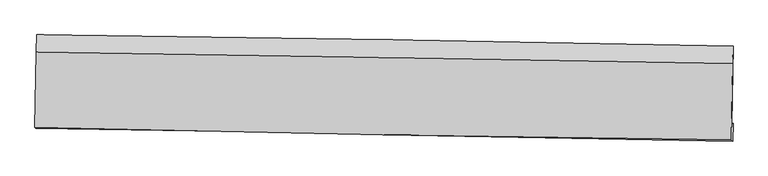
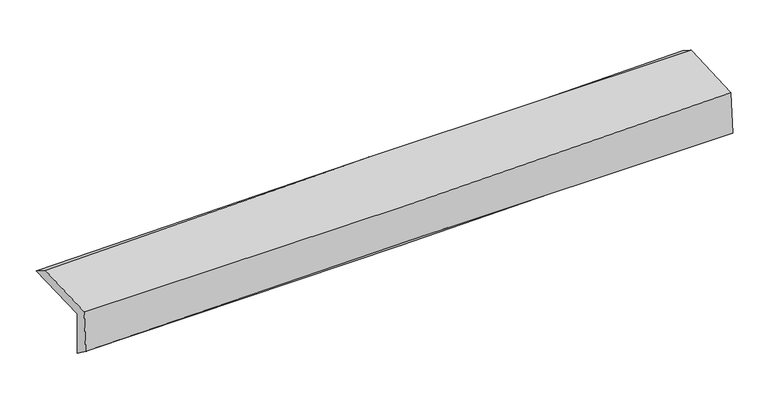
"""IFC4 building model written with IfcOpenShell, lengths in millimetres: proxy geometry."""

import ifcopenshell
import ifcopenshell.guid

model = None  # the IFC model being written
_history = None  # IfcOwnerHistory: only IFC2X3 demands one
_inside = {}  # id of a spatial element -> (the spatial element, [elements in it])
_under = {}  # id of a project, library or spatial element -> (it, [spatial elements below it])
_declared = {}  # id of a project -> (the project, [libraries it declares])
_typed = {}  # id of a type object -> (the type object, [elements of that type])
_made_of = {}  # id of a material, layer set ... -> (it, [elements and type objects made of it])


def new_model(schema):
    """Start an empty IFC model of exactly this schema.

    Asked for "IFC4X3", IfcOpenShell would pick the latest addendum, in which some entities
    have other attributes; the version numbers below select the first issue.
    IFC2X3 requires an IfcOwnerHistory on every rooted entity: one is made here for all.
    """
    global model, _history
    if schema == "IFC4X3":
        model = ifcopenshell.file(schema_version=(4, 3, 0, 0))
    else:
        model = ifcopenshell.file(schema=schema)
    _inside.clear()
    _under.clear()
    _declared.clear()
    _typed.clear()
    _made_of.clear()
    _history = None
    if model.schema == "IFC2X3":
        org = make("IfcOrganization", Name="unknown")
        user = make(
            "IfcPersonAndOrganization",
            ThePerson=make("IfcPerson", FamilyName="unknown"),
            TheOrganization=org,
        )
        app = make(
            "IfcApplication",
            ApplicationDeveloper=org,
            Version="unknown",
            ApplicationFullName="unknown",
            ApplicationIdentifier="unknown",
        )
        _history = make(
            "IfcOwnerHistory",
            OwningUser=user,
            OwningApplication=app,
            ChangeAction="ADDED",
            CreationDate=0,
        )
    return model


def make(cls, **values):
    """One entity of the class cls with the attributes given. An attribute that is None is left unset."""
    return model.create_entity(
        cls, **{name: value for name, value in values.items() if value is not None}
    )


def rooted(cls, **values):
    """An entity with a GlobalId (a new one), such as an element, a storey or a relation."""
    return make(cls, GlobalId=ifcopenshell.guid.new(), OwnerHistory=_history, **values)


def si_unit(unit_type, name, prefix=None):
    """IfcSIUnit, for example si_unit("LENGTHUNIT", "METRE", prefix="MILLI")."""
    return make("IfcSIUnit", UnitType=unit_type, Prefix=prefix, Name=name)


def assignment(units):
    """IfcUnitAssignment: the units of a project."""
    return None if units is None else make("IfcUnitAssignment", Units=units)


def point(xyz):
    """IfcCartesianPoint."""
    return None if xyz is None else make("IfcCartesianPoint", Coordinates=xyz)


def direction(xyz):
    """IfcDirection."""
    return None if xyz is None else make("IfcDirection", DirectionRatios=xyz)


def frame(location, z_axis=None, x_axis=None):
    """IfcAxis2Placement3D, a coordinate frame: its origin and axes. An axis left out is left unset."""
    return make(
        "IfcAxis2Placement3D",
        Location=point(location),
        Axis=direction(z_axis),
        RefDirection=direction(x_axis),
    )


def origin():
    """The frame at (0, 0, 0) with its axes left unset."""
    return frame((0.0, 0.0, 0.0))


def place(relative_to, where):
    """IfcLocalPlacement: puts the frame where relative to a parent placement (None: the world)."""
    return make(
        "IfcLocalPlacement", PlacementRelTo=relative_to, RelativePlacement=where
    )


def context(
    kind, dimensions, precision=None, world=None, true_north=None, identifier=None
):
    """IfcGeometricRepresentationContext, for example the 3D "Model" context."""
    return make(
        "IfcGeometricRepresentationContext",
        ContextIdentifier=identifier,
        ContextType=kind,
        CoordinateSpaceDimension=dimensions,
        Precision=precision,
        WorldCoordinateSystem=world,
        TrueNorth=true_north,
    )


def project(units=None, contexts=None):
    """IfcProject with its units and contexts."""
    return rooted(
        "IfcProject",
        Name="project",
        RepresentationContexts=contexts,
        UnitsInContext=assignment(units),
    )


def spatial(cls, under=None, at=None, **own):
    """A site, building, storey or space (cls), placed at a placement, below another one or the project."""
    s = rooted(cls, ObjectPlacement=at, **own)
    if under is not None:
        _under.setdefault(under.id(), (under, []))[1].append(s)
    return s


def shape(context_of_items, identifier, shape_type, items):
    """IfcShapeRepresentation: the items that make up one representation, for example the "Body"."""
    return make(
        "IfcShapeRepresentation",
        ContextOfItems=context_of_items,
        RepresentationIdentifier=identifier,
        RepresentationType=shape_type,
        Items=items,
    )


def source(mapping_origin, context_of_items, identifier, shape_type, items):
    """IfcRepresentationMap: a shape defined once, which mapped items show again and again."""
    return make(
        "IfcRepresentationMap",
        MappingOrigin=mapping_origin,
        MappedRepresentation=shape(context_of_items, identifier, shape_type, items),
    )


def transform(
    local_origin,
    x_axis=None,
    y_axis=None,
    z_axis=None,
    scale=None,
    scale2=None,
    scale3=None,
    uniform=True,
):
    """IfcCartesianTransformationOperator3D, or its non-uniform kind. x_axis, y_axis, z_axis: its Axis1, 2, 3."""
    if uniform:
        return make(
            "IfcCartesianTransformationOperator3D",
            Axis1=direction(x_axis),
            Axis2=direction(y_axis),
            LocalOrigin=point(local_origin),
            Scale=scale,
            Axis3=direction(z_axis),
        )
    return make(
        "IfcCartesianTransformationOperator3DnonUniform",
        Axis1=direction(x_axis),
        Axis2=direction(y_axis),
        LocalOrigin=point(local_origin),
        Scale=scale,
        Axis3=direction(z_axis),
        Scale2=scale2,
        Scale3=scale3,
    )


def mapped(mapping_source, mapping_target):
    """IfcMappedItem: shows the shape of a source again, moved by a transform."""
    return make(
        "IfcMappedItem", MappingSource=mapping_source, MappingTarget=mapping_target
    )


def made_of(thing, what):
    """Note that an element or type object is made of a material, layer set ...; save() writes the relation."""
    if what is not None:
        _made_of.setdefault(what.id(), (what, []))[1].append(thing)
    return thing


def element(
    cls,
    number,
    at=None,
    inside=None,
    cuts=None,
    type_object=None,
    material=None,
    context=None,
    identifier="Body",
    shape_type=None,
    held_by="IfcProductDefinitionShape",
    body=None,
    shapes=None,
    **own,
):
    """One element of the class cls, such as IfcWall. Its Tag is "e" and its number.

    at: its placement. inside: the storey or other place that contains it. cuts: it is an
    opening in that element (IfcRelVoidsElement). A single representation is given by context,
    identifier, shape_type and body (its items); several are given by shapes. held_by: the class
    of the entity that holds the representations. save() writes the other relations.
    """
    e = rooted(cls, Tag="e%d" % number, ObjectPlacement=at, **own)
    if body is not None:
        shapes = [shape(context, identifier, shape_type, body)]
    if shapes is not None:
        e.Representation = make(held_by, Representations=shapes)
    if inside is not None:
        _inside.setdefault(inside.id(), (inside, []))[1].append(e)
    if cuts is not None:
        rooted(
            "IfcRelVoidsElement", RelatingBuildingElement=cuts, RelatedOpeningElement=e
        )
    if type_object is not None:
        _typed.setdefault(type_object.id(), (type_object, []))[1].append(e)
    return made_of(e, material)


def aggregate(whole, parts):
    """IfcRelAggregates: a whole, such as a stair, and the parts it consists of."""
    return rooted("IfcRelAggregates", RelatingObject=whole, RelatedObjects=parts)


def save(model, path):
    """Write the relations noted so far, then the file.

    IfcRelAggregates (storeys below a building ...), IfcRelContainedInSpatialStructure (elements
    in a storey), IfcRelDefinesByType, IfcRelAssociatesMaterial and IfcRelDeclares: one each for
    every whole, place, type object, material and project.
    """
    for whole, parts in _under.values():
        aggregate(whole, parts)
    for where, things in _inside.values():
        rooted(
            "IfcRelContainedInSpatialStructure",
            RelatedElements=things,
            RelatingStructure=where,
        )
    for kind, things in _typed.values():
        rooted("IfcRelDefinesByType", RelatedObjects=things, RelatingType=kind)
    for what, things in _made_of.values():
        rooted("IfcRelAssociatesMaterial", RelatedObjects=things, RelatingMaterial=what)
    for by, libraries in _declared.values():
        rooted("IfcRelDeclares", RelatingContext=by, RelatedDefinitions=libraries)
    model.write(path)


def plane_surface(at):
    """IfcPlane: the flat surface through the origin of the frame at, square to its z axis."""
    return make("IfcPlane", Position=at)


def spline_curve(degree, points, multiplicities, knots, weights=None):
    """IfcBSplineCurveWithKnots; with weights, IfcRationalBSplineCurveWithKnots."""
    own = dict(
        Degree=degree,
        ControlPointsList=[point(p) for p in points],
        CurveForm="UNSPECIFIED",
        ClosedCurve=False,
        SelfIntersect=False,
        KnotMultiplicities=multiplicities,
        Knots=knots,
        KnotSpec="UNSPECIFIED",
    )
    if weights is None:
        return make("IfcBSplineCurveWithKnots", **own)
    return make("IfcRationalBSplineCurveWithKnots", WeightsData=weights, **own)


def spline_surface(u_degree, v_degree, points, u_multiplicities, v_multiplicities, u_knots, v_knots, weights=None):
    """IfcBSplineSurfaceWithKnots; with weights, IfcRationalBSplineSurfaceWithKnots. points: one row for each step in u."""
    own = dict(
        UDegree=u_degree,
        VDegree=v_degree,
        ControlPointsList=[[point(p) for p in row] for row in points],
        SurfaceForm="UNSPECIFIED",
        UClosed=False,
        VClosed=False,
        SelfIntersect=False,
        UMultiplicities=u_multiplicities,
        VMultiplicities=v_multiplicities,
        UKnots=u_knots,
        VKnots=v_knots,
        KnotSpec="UNSPECIFIED",
    )
    if weights is None:
        return make("IfcBSplineSurfaceWithKnots", **own)
    return make("IfcRationalBSplineSurfaceWithKnots", WeightsData=weights, **own)


def advanced_brep(points, edges, surfaces, faces):
    """IfcAdvancedBrep: a solid bounded by faces that lie on surfaces and meet in shared edges.

    An edge is (start, end): straight between two places in points (the first is 0);
    or (start, end, curve); or (start, end, curve, False) where it runs against its curve.
    A face is (place in surfaces, loops), or (place, loops, False) where it looks against
    its surface's normal. A loop lists edges by number (the first is 1), with a minus sign
    where the edge is run from its end to its start. The first loop is the outer one.
    """
    corners = [point(p) for p in points]
    vertices = [make("IfcVertexPoint", VertexGeometry=c) for c in corners]
    made = []
    for start, end, *more in edges:
        made.append(
            make(
                "IfcEdgeCurve",
                EdgeStart=vertices[start],
                EdgeEnd=vertices[end],
                EdgeGeometry=more[0] if more else make("IfcPolyline", Points=[corners[start], corners[end]]),
                SameSense=more[1] if len(more) > 1 else True,
            )
        )
    hull = []
    for where, loops, *sense in faces:
        bounds = []
        for j, loop in enumerate(loops):
            ring = [make("IfcOrientedEdge", EdgeElement=made[abs(k) - 1], Orientation=k > 0) for k in loop]
            bounds.append(
                make(
                    "IfcFaceOuterBound" if j == 0 else "IfcFaceBound",
                    Bound=make("IfcEdgeLoop", EdgeList=ring),
                    Orientation=True,
                )
            )
        hull.append(make("IfcAdvancedFace", Bounds=bounds, FaceSurface=surfaces[where], SameSense=sense[0] if sense else True))
    return make("IfcAdvancedBrep", Outer=make("IfcClosedShell", CfsFaces=hull))


def generic_models_9acd4ccf(model_context):
    return source(origin(), model_context, "Body", "AdvancedBrep", [
        advanced_brep(
        [(-3021.5878437, -1762.7552507, 1977.0141934), (-3011.4289227, -1084.5360282, 1989.8752628), (3000.538432, -1183.326871, 2136.7012981), (2990.4680309, -1862.0389021, 2123.8331732), (-3012.0038616, -1750.7895225, 1578.5024273), (3000.2917886, -1849.7733893, 1715.3374149), (-3016.7403731, -1894.5690019, 1685.2831841), (2995.533773, -2004.5016403, 1816.7813797), (-3025.7937497, -1884.5761838, 2075.6600758), (2986.2455152, -1994.252635, 2217.1646616), (-3016.1629956, -1235.8612547, 2091.6174909), (2995.946459, -1334.5299116, 2233.3906181)],
        [
            (0, 1),
            (1, 2, spline_curve(3, [(-3011.4289227, -1084.5360282, 1989.8752628), (-2004.884929197, -1096.812191499, 1993.981437076), (-998.760243612, -1111.221234206, 2008.35328811), (1005.22270356, -1144.182904226, 2057.446377455), (2003.087136405, -1162.704142531, 2092.016538622), (3000.538432, -1183.326871, 2136.7012981)], [4, 2, 4], [0.0, 9.903951369601467, 19.734755426468872])),
            (2, 3),
            (3, 0, spline_curve(3, [(2990.4680309, -1862.0389021, 2123.8331732), (1992.907740853, -1834.25328988, 2072.743338813), (994.981287, -1812.096571509, 2034.959353647), (-1009.03186882, -1778.917944166, 1985.820949357), (-2015.12403952, -1767.980112268, 1974.665274574), (-3021.5878437, -1762.7552507, 1977.0141934)], [4, 2, 4], [0.0, 9.830804056867406, 19.734755426468872])),
            (4, 0),
            (3, 5),
            (5, 4, spline_curve(3, [(3000.2917886, -1849.7733893, 1715.3374149), (2002.623933719, -1822.123691835, 1668.773495754), (1004.623664735, -1800.059979547, 1634.08669921), (-999.469920468, -1766.981921491, 1588.29763259), (-2005.56820105, -1756.051011314, 1577.372766881), (-3012.0038616, -1750.7895225, 1578.5024273)], [4, 2, 4], [0.0, 9.831096057270821, 19.7353415999408])),
            (6, 4),
            (5, 7),
            (7, 6, spline_curve(3, [(2995.533773, -2004.5016403, 1816.7813797), (1997.010074836, -1981.457201114, 1799.855569697), (998.582076749, -1960.799006408, 1780.484196642), (-1005.510734815, -1924.119151288, 1736.687993351), (-2011.174118507, -1908.133133134, 1712.226634476), (-3016.7403731, -1894.5690019, 1685.2831841)], [4, 2, 4], [0.0, 9.830263338844027, 19.733669967142827])),
            (8, 6),
            (7, 9),
            (9, 8, spline_curve(3, [(2986.2455152, -1994.252635, 2217.1646616), (1987.992155021, -1983.902773932, 2180.534268914), (989.719255288, -1969.636585746, 2150.446391195), (-1014.293541176, -1933.1362654, 2103.18047262), (-2020.033729838, -1910.843636596, 2086.100155234), (-3025.7937497, -1884.5761838, 2075.6600758)], [4, 2, 4], [0.0, 9.830100407225306, 19.733342891592535])),
            (10, 8),
            (9, 11),
            (11, 10, spline_curve(3, [(2995.946459, -1334.5299116, 2233.3906181), (1997.527621785, -1314.801570707, 2225.65025636), (999.165871378, -1296.739290367, 2210.038722019), (-1004.871466429, -1263.824852733, 2162.898581595), (-2010.546200486, -1248.997580727, 2131.252407066), (-3016.1629956, -1235.8612547, 2091.6174909)], [4, 2, 4], [0.0, 9.82998111679208, 19.73310342313087])),
            (1, 10),
            (11, 2),
        ],
        [
            spline_surface(3, 3, [[(-3021.5878437, -1762.7552507, 1977.0141934), (-2015.124039599, -1767.98011241, 1974.665274566), (-1009.031868715, -1778.917944318, 1985.820949405), (994.981286896, -1812.096571358, 2034.9593536), (1992.907740892, -1834.253289948, 2072.743338738), (2990.4680309, -1862.0389021, 2123.8331732)], [(-3018.201536714, -1536.682176542, 1981.301216523), (-2011.711002804, -1544.257472167, 1981.103995427), (-1005.607993701, -1556.35237427, 1993.331728922), (998.395092494, -1589.458682315, 2042.45502825), (1996.300872728, -1610.403574198, 2079.167738689), (2993.824831257, -1635.801558408, 2128.122548192)], [(-3014.815229686, -1310.609102358, 1985.588239677), (-2008.297965967, -1320.534831897, 1987.54271632), (-1002.184118722, -1333.786804237, 2000.842508468), (1001.808898057, -1366.820793286, 2049.950702929), (1999.694004593, -1386.553858423, 2085.592138565), (2997.181631643, -1409.564214692, 2132.411923108)], [(-3011.4289227, -1084.5360282, 1989.8752628), (-2004.884929172, -1096.812191654, 1993.981437181), (-998.760243707, -1111.22123419, 2008.353287985), (1005.222703655, -1144.182904243, 2057.44637758), (2003.087136429, -1162.704142673, 2092.016538516), (3000.538432, -1183.326871, 2136.7012981)]], [4, 4], [4, 2, 4], [0.0, 2.192462291131935], [0.0, 9.903951369601467, 19.734755426468872]),
            spline_surface(3, 3, [[(-3012.0038616, -1750.7895225, 1578.5024273), (-2005.568201191, -1756.051011446, 1577.372766782), (-999.469920321, -1766.981921546, 1588.297632649), (1004.623664588, -1800.059979491, 1634.086699151), (2002.623933811, -1822.123691675, 1668.773495775), (3000.2917886, -1849.7733893, 1715.3374149)], [(-3015.198522295, -1754.778098551, 1711.339682684), (-2008.753480655, -1760.027378418, 1709.803602727), (-1002.657236454, -1770.960595801, 1720.805404883), (1001.409538689, -1804.072176778, 1767.710917282), (1999.38520285, -1826.166891077, 1803.430110071), (2997.017202712, -1853.861893544, 1851.502667641)], [(-3018.393183005, -1758.766674649, 1844.176938016), (-2011.938760135, -1764.003745437, 1842.23443862), (-1005.844552582, -1774.939270063, 1853.313177172), (998.195412795, -1808.084374072, 1901.335135469), (1996.146471854, -1830.210090546, 1938.086724442), (2993.742616788, -1857.950397856, 1987.667920459)], [(-3021.5878437, -1762.7552507, 1977.0141934), (-2015.124039599, -1767.98011241, 1974.665274566), (-1009.031868715, -1778.917944318, 1985.820949405), (994.981286896, -1812.096571358, 2034.9593536), (1992.907740892, -1834.253289948, 2072.743338738), (2990.4680309, -1862.0389021, 2123.8331732)]], [4, 4], [4, 2, 4], [0.0, 1.3106330243930295], [0.0, 9.904245542669978, 19.7353415999408]),
            spline_surface(3, 3, [[(-3016.7403731, -1894.5690019, 1685.2831841), (-2011.174118562, -1908.133133147, 1712.226634373), (-1005.510734774, -1924.119151234, 1736.687993276), (998.582076708, -1960.799006462, 1780.484196715), (1997.01007492, -1981.457201124, 1799.855569694), (2995.533773, -2004.5016403, 1816.7813797)], [(-3015.161535911, -1846.642508799, 1649.689598494), (-2009.305479416, -1857.439092612, 1667.27534517), (-1003.497129959, -1871.740074697, 1687.224539746), (1000.595939332, -1907.219330831, 1731.685030873), (1998.881361209, -1928.346031306, 1756.161545076), (2997.119778192, -1952.925556632, 1782.966724789)], [(-3013.582698789, -1798.716015601, 1614.096012906), (-2007.436840337, -1806.74505198, 1622.324055985), (-1001.483525136, -1819.360998083, 1637.761086179), (1002.609801964, -1853.639655123, 1682.885864994), (2000.752647522, -1875.234861493, 1712.467520392), (2998.705783408, -1901.349472968, 1749.152069811)], [(-3012.0038616, -1750.7895225, 1578.5024273), (-2005.568201191, -1756.051011446, 1577.372766782), (-999.469920321, -1766.981921546, 1588.297632649), (1004.623664588, -1800.059979491, 1634.086699151), (2002.623933811, -1822.123691675, 1668.773495775), (3000.2917886, -1849.7733893, 1715.3374149)]], [4, 4], [4, 2, 4], [0.0, 0.7114243255585532], [0.0, 9.9034066282988, 19.733669967142827]),
            spline_surface(3, 3, [[(-3025.7937497, -1884.5761838, 2075.6600758), (-2020.03372978, -1910.843636567, 2086.100155365), (-1014.293541172, -1933.136265366, 2103.180472777), (989.719255284, -1969.636585779, 2150.446391039), (1987.992154959, -1983.902774045, 2180.53426889), (2986.2455152, -1994.252635, 2217.1646616)], [(-3022.775957508, -1887.907123142, 1945.534445231), (-2017.080526049, -1909.940135402, 1961.475648365), (-1011.365939037, -1930.130560637, 1981.016312945), (992.673529094, -1966.690725988, 2027.1256596), (1990.99812828, -1983.087583071, 2053.641369146), (2989.341601134, -1997.6689701, 2083.703567622)], [(-3019.758165292, -1891.238062558, 1815.408814669), (-2014.127322293, -1909.036634311, 1836.851141373), (-1008.438336909, -1927.124855963, 1858.852153108), (995.627802898, -1963.744866253, 1903.804928155), (1994.004101599, -1982.272392098, 1926.748469437), (2992.437687066, -2001.0853052, 1950.242473678)], [(-3016.7403731, -1894.5690019, 1685.2831841), (-2011.174118562, -1908.133133147, 1712.226634373), (-1005.510734774, -1924.119151234, 1736.687993276), (998.582076708, -1960.799006462, 1780.484196715), (1997.01007492, -1981.457201124, 1799.855569694), (2995.533773, -2004.5016403, 1816.7813797)]], [4, 4], [4, 2, 4], [0.0, 1.2087556222224982], [0.0, 9.90324248436723, 19.733342891592535]),
            spline_surface(3, 3, [[(-3016.1629956, -1235.8612547, 2091.6174909), (-2010.546200517, -1248.997580811, 2131.252406931), (-1004.871466289, -1263.824852752, 2162.898581591), (999.165871239, -1296.739290348, 2210.038722024), (1997.527621912, -1314.801570709, 2225.650256421), (2995.946459, -1334.5299116, 2233.3906181)], [(-3019.373246976, -1452.099564422, 2086.298352539), (-2013.708710281, -1469.612932752, 2116.201656415), (-1008.012157917, -1486.928656967, 2142.992545332), (996.016999254, -1521.038388835, 2190.174611708), (1994.349132942, -1537.835305179, 2210.611593913), (2992.712811082, -1554.437486091, 2227.981965936)], [(-3022.583498324, -1668.337874078, 2080.979214161), (-2016.871220016, -1690.228284626, 2101.150905881), (-1011.152849544, -1710.032461151, 2123.086509035), (992.868127269, -1745.337487293, 2170.310501354), (1991.170643928, -1760.869039576, 2195.572931397), (2989.479163118, -1774.345060509, 2222.573313764)], [(-3025.7937497, -1884.5761838, 2075.6600758), (-2020.03372978, -1910.843636567, 2086.100155365), (-1014.293541172, -1933.136265366, 2103.180472777), (989.719255284, -1969.636585779, 2150.446391039), (1987.992154959, -1983.902774045, 2180.53426889), (2986.2455152, -1994.252635, 2217.1646616)]], [4, 4], [4, 2, 4], [0.0, 2.2106401422913566], [0.0, 9.90312230633879, 19.73310342313087]),
            spline_surface(3, 3, [[(-3011.4289227, -1084.5360282, 1989.8752628), (-2004.884929172, -1096.812191654, 1993.981437181), (-998.760243707, -1111.22123419, 2008.353287985), (1005.222703655, -1144.182904243, 2057.44637758), (2003.087136429, -1162.704142673, 2092.016538516), (3000.538432, -1183.326871, 2136.7012981)], [(-3013.006946996, -1134.977770343, 2023.789338829), (-2006.772019616, -1147.540654683, 2039.738427093), (-1000.797317911, -1162.089107034, 2059.868385854), (1003.203759506, -1195.035032935, 2108.310492395), (2001.233964914, -1213.403285343, 2136.561111138), (2999.007774324, -1233.727884525, 2168.93107142)], [(-3014.584971304, -1185.419512557, 2057.703414871), (-2008.659110073, -1198.269117783, 2085.495417019), (-1002.834392085, -1212.956979908, 2111.383483721), (1001.184815388, -1245.887161656, 2159.174607208), (1999.380793427, -1264.102428039, 2181.105683799), (2997.477116676, -1284.128898075, 2201.16084478)], [(-3016.1629956, -1235.8612547, 2091.6174909), (-2010.546200517, -1248.997580811, 2131.252406931), (-1004.871466289, -1263.824852752, 2162.898581591), (999.165871239, -1296.739290348, 2210.038722024), (1997.527621912, -1314.801570709, 2225.650256421), (2995.946459, -1334.5299116, 2233.3906181)]], [4, 4], [4, 2, 4], [0.0, 0.7105355395347636], [0.0, 9.90303164940351, 19.732922778822484]),
            plane_surface(frame((2994.8373331, -1704.7372249, 2040.5347576), z_axis=(0.9996051854922773, -0.015278733383117084, 0.023580361387344574), x_axis=(0.023184585281006396, -0.02558272417747453, -0.9994038219003403))),
            plane_surface(frame((-3017.2862911, -1602.181207, 1899.6587724), z_axis=(-0.9996030988448503, 0.01541995937630809, -0.023576887678519426), x_axis=(-0.01497444442373025, -0.999708147715975, -0.018957463028973557))),
        ],
        [
            (0, [[1, 2, 3, 4]]),
            (1, [[5, -4, 6, 7]]),
            (2, [[8, -7, 9, 10]]),
            (3, [[11, -10, 12, 13]]),
            (4, [[14, -13, 15, 16]]),
            (5, [[17, -16, 18, -2]]),
            (6, [[-12, -9, -6, -3, -18, -15]]),
            (7, [[-1, -5, -8, -11, -14, -17]]),
        ],
    ),
    ])


if __name__ == "__main__":
    model = new_model("IFC4")
    model_context = context("Model", 3, world=origin())
    ifc_project = project(units=[si_unit("LENGTHUNIT", "METRE", prefix="MILLI")], contexts=[model_context])
    site = spatial("IfcSite", under=ifc_project)
    building = spatial("IfcBuilding", under=site)
    placement = place(None, origin())
    generic_models_shape = generic_models_9acd4ccf(model_context)
    element("IfcBuildingElementProxy", 1, Name="Generic Models", at=placement, inside=building, context=model_context, shape_type="MappedRepresentation", body=[
        mapped(generic_models_shape, transform((0.0, 0.0, 0.0), x_axis=(1.0, 0.0, 0.0), y_axis=(0.0, 1.0, 0.0), z_axis=(0.0, 0.0, 1.0))),
    ])
    save(model, "model.ifc")
